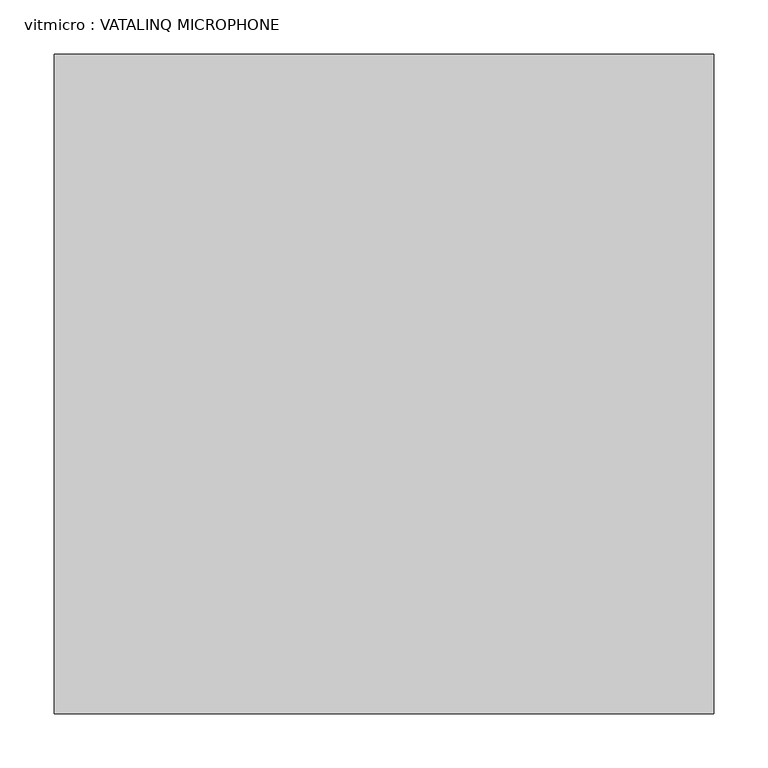
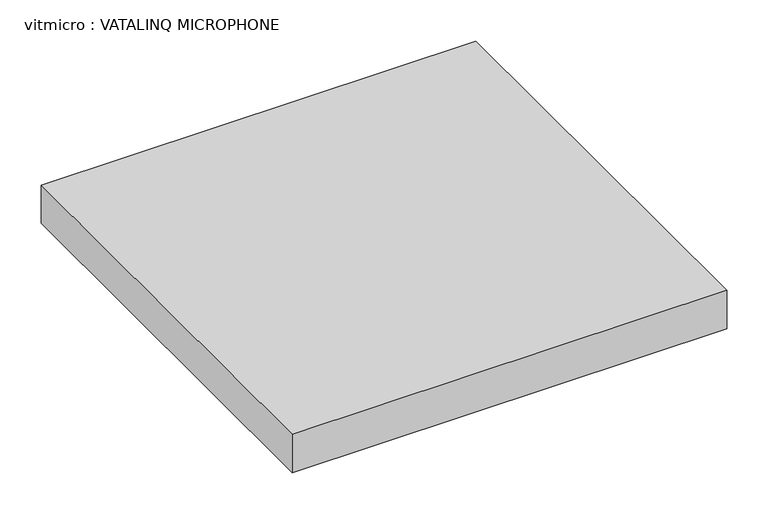
"""IFC4 building model written with IfcOpenShell, lengths in millimetres: proxy geometry, vitmicro : VATALINQ MICROPHONE."""

import ifcopenshell
import ifcopenshell.guid

model = None  # the IFC model being written
_history = None  # IfcOwnerHistory: only IFC2X3 demands one
_inside = {}  # id of a spatial element -> (the spatial element, [elements in it])
_under = {}  # id of a project, library or spatial element -> (it, [spatial elements below it])
_declared = {}  # id of a project -> (the project, [libraries it declares])
_typed = {}  # id of a type object -> (the type object, [elements of that type])
_made_of = {}  # id of a material, layer set ... -> (it, [elements and type objects made of it])


def new_model(schema):
    """Start an empty IFC model of exactly this schema.

    Asked for "IFC4X3", IfcOpenShell would pick the latest addendum, in which some entities
    have other attributes; the version numbers below select the first issue.
    IFC2X3 requires an IfcOwnerHistory on every rooted entity: one is made here for all.
    """
    global model, _history
    if schema == "IFC4X3":
        model = ifcopenshell.file(schema_version=(4, 3, 0, 0))
    else:
        model = ifcopenshell.file(schema=schema)
    _inside.clear()
    _under.clear()
    _declared.clear()
    _typed.clear()
    _made_of.clear()
    _history = None
    if model.schema == "IFC2X3":
        org = make("IfcOrganization", Name="unknown")
        user = make(
            "IfcPersonAndOrganization",
            ThePerson=make("IfcPerson", FamilyName="unknown"),
            TheOrganization=org,
        )
        app = make(
            "IfcApplication",
            ApplicationDeveloper=org,
            Version="unknown",
            ApplicationFullName="unknown",
            ApplicationIdentifier="unknown",
        )
        _history = make(
            "IfcOwnerHistory",
            OwningUser=user,
            OwningApplication=app,
            ChangeAction="ADDED",
            CreationDate=0,
        )
    return model


def make(cls, **values):
    """One entity of the class cls with the attributes given. An attribute that is None is left unset."""
    return model.create_entity(
        cls, **{name: value for name, value in values.items() if value is not None}
    )


def rooted(cls, **values):
    """An entity with a GlobalId (a new one), such as an element, a storey or a relation."""
    return make(cls, GlobalId=ifcopenshell.guid.new(), OwnerHistory=_history, **values)


def si_unit(unit_type, name, prefix=None):
    """IfcSIUnit, for example si_unit("LENGTHUNIT", "METRE", prefix="MILLI")."""
    return make("IfcSIUnit", UnitType=unit_type, Prefix=prefix, Name=name)


def assignment(units):
    """IfcUnitAssignment: the units of a project."""
    return None if units is None else make("IfcUnitAssignment", Units=units)


def point(xyz):
    """IfcCartesianPoint."""
    return None if xyz is None else make("IfcCartesianPoint", Coordinates=xyz)


def direction(xyz):
    """IfcDirection."""
    return None if xyz is None else make("IfcDirection", DirectionRatios=xyz)


def frame(location, z_axis=None, x_axis=None):
    """IfcAxis2Placement3D, a coordinate frame: its origin and axes. An axis left out is left unset."""
    return make(
        "IfcAxis2Placement3D",
        Location=point(location),
        Axis=direction(z_axis),
        RefDirection=direction(x_axis),
    )


def origin():
    """The frame at (0, 0, 0) with its axes left unset."""
    return frame((0.0, 0.0, 0.0))


def place(relative_to, where):
    """IfcLocalPlacement: puts the frame where relative to a parent placement (None: the world)."""
    return make(
        "IfcLocalPlacement", PlacementRelTo=relative_to, RelativePlacement=where
    )


def context(
    kind, dimensions, precision=None, world=None, true_north=None, identifier=None
):
    """IfcGeometricRepresentationContext, for example the 3D "Model" context."""
    return make(
        "IfcGeometricRepresentationContext",
        ContextIdentifier=identifier,
        ContextType=kind,
        CoordinateSpaceDimension=dimensions,
        Precision=precision,
        WorldCoordinateSystem=world,
        TrueNorth=true_north,
    )


def project(units=None, contexts=None):
    """IfcProject with its units and contexts."""
    return rooted(
        "IfcProject",
        Name="project",
        RepresentationContexts=contexts,
        UnitsInContext=assignment(units),
    )


def spatial(cls, under=None, at=None, **own):
    """A site, building, storey or space (cls), placed at a placement, below another one or the project."""
    s = rooted(cls, ObjectPlacement=at, **own)
    if under is not None:
        _under.setdefault(under.id(), (under, []))[1].append(s)
    return s


def polyline(points):
    """IfcPolyline through the points."""
    return make("IfcPolyline", Points=[point(p) for p in points])


def outline(outer, holes=None, kind="AREA"):
    """IfcArbitraryClosedProfileDef: a profile drawn as a closed curve; with holes, ...WithVoids."""
    if holes is None:
        return make("IfcArbitraryClosedProfileDef", ProfileType=kind, OuterCurve=outer)
    return make(
        "IfcArbitraryProfileDefWithVoids",
        ProfileType=kind,
        OuterCurve=outer,
        InnerCurves=holes,
    )


def extrude(swept, where, along, depth):
    """IfcExtrudedAreaSolid: the profile swept, set in the frame where, extruded along a direction by depth."""
    return make(
        "IfcExtrudedAreaSolid",
        SweptArea=swept,
        Position=where,
        ExtrudedDirection=direction(along),
        Depth=depth,
    )


def shape(context_of_items, identifier, shape_type, items):
    """IfcShapeRepresentation: the items that make up one representation, for example the "Body"."""
    return make(
        "IfcShapeRepresentation",
        ContextOfItems=context_of_items,
        RepresentationIdentifier=identifier,
        RepresentationType=shape_type,
        Items=items,
    )


def source(mapping_origin, context_of_items, identifier, shape_type, items):
    """IfcRepresentationMap: a shape defined once, which mapped items show again and again."""
    return make(
        "IfcRepresentationMap",
        MappingOrigin=mapping_origin,
        MappedRepresentation=shape(context_of_items, identifier, shape_type, items),
    )


def transform(
    local_origin,
    x_axis=None,
    y_axis=None,
    z_axis=None,
    scale=None,
    scale2=None,
    scale3=None,
    uniform=True,
):
    """IfcCartesianTransformationOperator3D, or its non-uniform kind. x_axis, y_axis, z_axis: its Axis1, 2, 3."""
    if uniform:
        return make(
            "IfcCartesianTransformationOperator3D",
            Axis1=direction(x_axis),
            Axis2=direction(y_axis),
            LocalOrigin=point(local_origin),
            Scale=scale,
            Axis3=direction(z_axis),
        )
    return make(
        "IfcCartesianTransformationOperator3DnonUniform",
        Axis1=direction(x_axis),
        Axis2=direction(y_axis),
        LocalOrigin=point(local_origin),
        Scale=scale,
        Axis3=direction(z_axis),
        Scale2=scale2,
        Scale3=scale3,
    )


def mapped(mapping_source, mapping_target):
    """IfcMappedItem: shows the shape of a source again, moved by a transform."""
    return make(
        "IfcMappedItem", MappingSource=mapping_source, MappingTarget=mapping_target
    )


def made_of(thing, what):
    """Note that an element or type object is made of a material, layer set ...; save() writes the relation."""
    if what is not None:
        _made_of.setdefault(what.id(), (what, []))[1].append(thing)
    return thing


def element(
    cls,
    number,
    at=None,
    inside=None,
    cuts=None,
    type_object=None,
    material=None,
    context=None,
    identifier="Body",
    shape_type=None,
    held_by="IfcProductDefinitionShape",
    body=None,
    shapes=None,
    **own,
):
    """One element of the class cls, such as IfcWall. Its Tag is "e" and its number.

    at: its placement. inside: the storey or other place that contains it. cuts: it is an
    opening in that element (IfcRelVoidsElement). A single representation is given by context,
    identifier, shape_type and body (its items); several are given by shapes. held_by: the class
    of the entity that holds the representations. save() writes the other relations.
    """
    e = rooted(cls, Tag="e%d" % number, ObjectPlacement=at, **own)
    if body is not None:
        shapes = [shape(context, identifier, shape_type, body)]
    if shapes is not None:
        e.Representation = make(held_by, Representations=shapes)
    if inside is not None:
        _inside.setdefault(inside.id(), (inside, []))[1].append(e)
    if cuts is not None:
        rooted(
            "IfcRelVoidsElement", RelatingBuildingElement=cuts, RelatedOpeningElement=e
        )
    if type_object is not None:
        _typed.setdefault(type_object.id(), (type_object, []))[1].append(e)
    return made_of(e, material)


def aggregate(whole, parts):
    """IfcRelAggregates: a whole, such as a stair, and the parts it consists of."""
    return rooted("IfcRelAggregates", RelatingObject=whole, RelatedObjects=parts)


def save(model, path):
    """Write the relations noted so far, then the file.

    IfcRelAggregates (storeys below a building ...), IfcRelContainedInSpatialStructure (elements
    in a storey), IfcRelDefinesByType, IfcRelAssociatesMaterial and IfcRelDeclares: one each for
    every whole, place, type object, material and project.
    """
    for whole, parts in _under.values():
        aggregate(whole, parts)
    for where, things in _inside.values():
        rooted(
            "IfcRelContainedInSpatialStructure",
            RelatedElements=things,
            RelatingStructure=where,
        )
    for kind, things in _typed.values():
        rooted("IfcRelDefinesByType", RelatedObjects=things, RelatingType=kind)
    for what, things in _made_of.values():
        rooted("IfcRelAssociatesMaterial", RelatedObjects=things, RelatingMaterial=what)
    for by, libraries in _declared.values():
        rooted("IfcRelDeclares", RelatingContext=by, RelatedDefinitions=libraries)
    model.write(path)


def vitmicro_vatalinq_microphone_e7a703de(model_context):
    return source(origin(), model_context, "Body", "SweptSolid", [
        extrude(outline(polyline([(491.4920393, -147.375039), (491.4920393, -756.975039), (-118.1079607, -756.975039), (-118.1079607, -147.375039), (491.4920393, -147.375039)])), frame((0.0, 0.0, 3048.0), z_axis=(0.0, 0.0, 1.0), x_axis=(1.0, 0.0, 0.0)), (0.0, 0.0, 1.0), 56.6426964),
    ])


if __name__ == "__main__":
    model = new_model("IFC4")
    model_context = context("Model", 3, world=origin())
    ifc_project = project(units=[si_unit("LENGTHUNIT", "METRE", prefix="MILLI")], contexts=[model_context])
    site = spatial("IfcSite", under=ifc_project)
    building = spatial("IfcBuilding", under=site)
    placement = place(None, origin())
    vitmicro_vatalinq_microphone_shape = vitmicro_vatalinq_microphone_e7a703de(model_context)
    element("IfcBuildingElementProxy", 1, Name="vitmicro : VATALINQ MICROPHONE", ObjectType="vitmicro : VATALINQ MICROPHONE", at=placement, inside=building, context=model_context, shape_type="MappedRepresentation", body=[
        mapped(vitmicro_vatalinq_microphone_shape, transform((0.0, 0.0, 0.0), x_axis=(1.0, 0.0, 0.0), y_axis=(0.0, 1.0, 0.0), z_axis=(0.0, 0.0, 1.0))),
    ])
    save(model, "model.ifc")
